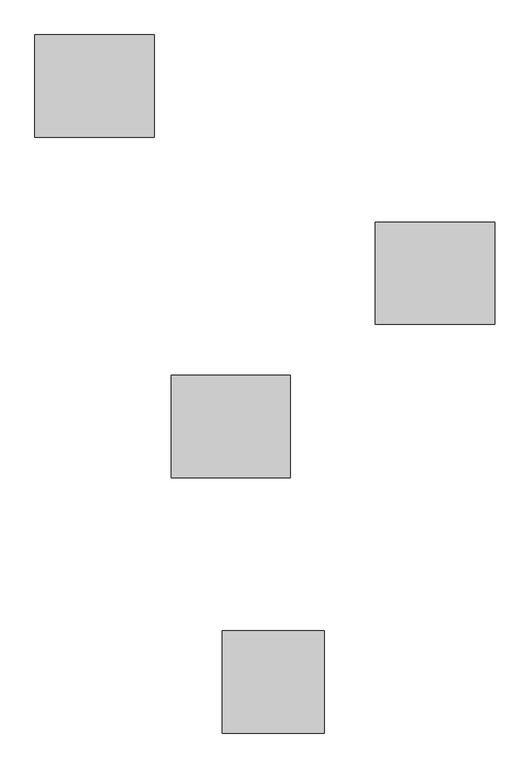
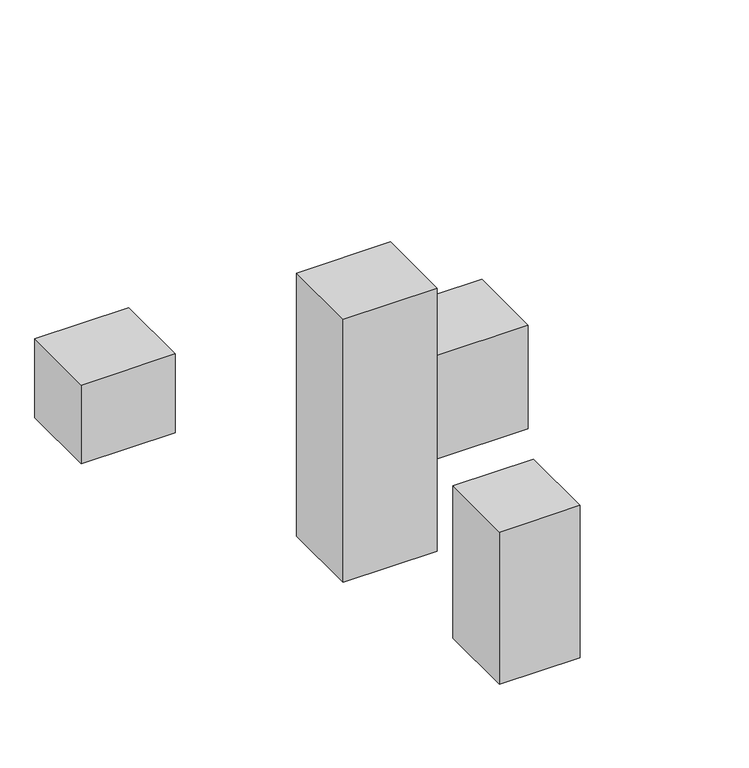
"""IFC4 building model written with IfcOpenShell, lengths in millimetres: column geometry."""

from ifc_helpers import new_model, si_unit, origin, origin_with_axes, place, context, project, spatial, polyline, outline, extrude, source, transform, mapped, element, save


def column_2fffdbef(model_context):
    return source(origin(), model_context, "Body", "SweptSolid", [
        extrude(outline(polyline([(22.727953, 1118.8200135), (22.727953, 966.4200135), (-155.072047, 966.4200135), (-155.072047, 1118.8200135), (22.727953, 1118.8200135)])), origin_with_axes(), (0.0, 0.0, 1.0), 158.0076989),
        extrude(outline(polyline([(530.727953, 839.4200135), (530.727953, 687.0200135), (352.927953, 687.0200135), (352.927953, 839.4200135), (530.727953, 839.4200135)])), origin_with_axes(), (0.0, 0.0, 1.0), 206.8591044),
        extrude(outline(polyline([(225.927953, 610.8200135), (225.927953, 458.4200135), (48.127953, 458.4200135), (48.127953, 610.8200135), (225.927953, 610.8200135)])), origin_with_axes(), (0.0, 0.0, 1.0), 526.8449408),
        extrude(outline(polyline([(276.727953, 229.8200135), (276.727953, 77.4200135), (124.327953, 77.4200135), (124.327953, 229.8200135), (276.727953, 229.8200135)])), origin_with_axes(), (0.0, 0.0, 1.0), 304.8),
    ])


if __name__ == "__main__":
    model = new_model("IFC4")
    model_context = context("Model", 3, world=origin())
    ifc_project = project(units=[si_unit("LENGTHUNIT", "METRE", prefix="MILLI")], contexts=[model_context])
    site = spatial("IfcSite", under=ifc_project)
    building = spatial("IfcBuilding", under=site)
    placement = place(None, origin())
    column_shape = column_2fffdbef(model_context)
    element("IfcColumn", 1, at=placement, inside=building, context=model_context, shape_type="MappedRepresentation", body=[
        mapped(column_shape, transform((0.0, 0.0, 0.0), x_axis=(1.0, 0.0, 0.0), y_axis=(0.0, 1.0, 0.0), z_axis=(0.0, 0.0, 1.0))),
    ])
    save(model, "model.ifc")
